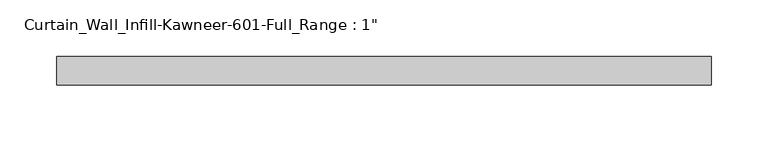
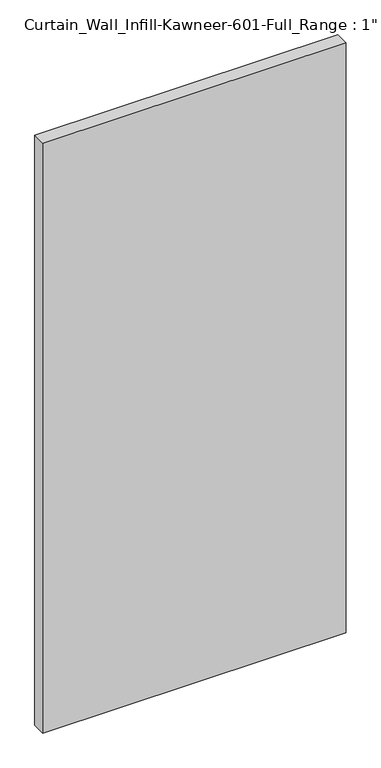
"""IFC4 building model written with IfcOpenShell, lengths in millimetres: plate geometry."""

from ifc_helpers import new_model, si_unit, origin, origin_with_axes, place, context, project, spatial, polyline, outline, extrude, source, transform, mapped, element, save


def plate_c010ebe3(model_context):
    return source(origin(), model_context, "Body", "SweptSolid", [
        extrude(outline(polyline([(-288.925, 12.7), (288.925, 12.7), (288.925, -12.7), (-288.925, -12.7), (-288.925, 12.7)])), origin_with_axes(), (0.0, 0.0, 1.0), 1187.45),
    ])


if __name__ == "__main__":
    model = new_model("IFC4")
    model_context = context("Model", 3, world=origin())
    ifc_project = project(units=[si_unit("LENGTHUNIT", "METRE", prefix="MILLI")], contexts=[model_context])
    site = spatial("IfcSite", under=ifc_project)
    building = spatial("IfcBuilding", under=site)
    placement = place(None, origin())
    plate_shape = plate_c010ebe3(model_context)
    element("IfcPlate", 1, ObjectType="Curtain_Wall_Infill-Kawneer-601-Full_Range : 1\"", at=placement, inside=building, context=model_context, shape_type="MappedRepresentation", body=[
        mapped(plate_shape, transform((0.0, 0.0, 0.0), x_axis=(1.0, 0.0, 0.0), y_axis=(0.0, 1.0, 0.0), z_axis=(0.0, 0.0, 1.0))),
    ])
    save(model, "model.ifc")
